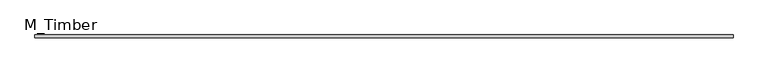
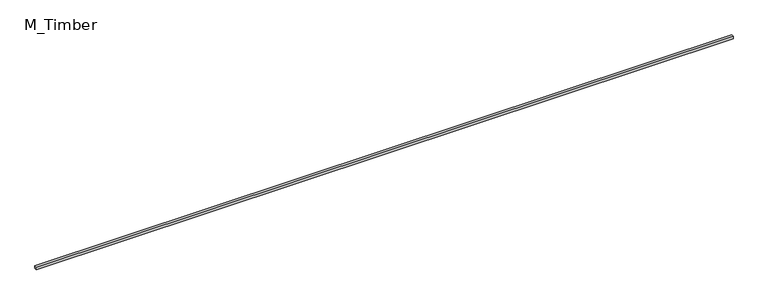
"""IFC4 building model written with IfcOpenShell, lengths in millimetres: beam geometry, M_Timber."""

import ifcopenshell
import ifcopenshell.guid

model = None  # the IFC model being written
_history = None  # IfcOwnerHistory: only IFC2X3 demands one
_inside = {}  # id of a spatial element -> (the spatial element, [elements in it])
_under = {}  # id of a project, library or spatial element -> (it, [spatial elements below it])
_declared = {}  # id of a project -> (the project, [libraries it declares])
_typed = {}  # id of a type object -> (the type object, [elements of that type])
_made_of = {}  # id of a material, layer set ... -> (it, [elements and type objects made of it])


def new_model(schema):
    """Start an empty IFC model of exactly this schema.

    Asked for "IFC4X3", IfcOpenShell would pick the latest addendum, in which some entities
    have other attributes; the version numbers below select the first issue.
    IFC2X3 requires an IfcOwnerHistory on every rooted entity: one is made here for all.
    """
    global model, _history
    if schema == "IFC4X3":
        model = ifcopenshell.file(schema_version=(4, 3, 0, 0))
    else:
        model = ifcopenshell.file(schema=schema)
    _inside.clear()
    _under.clear()
    _declared.clear()
    _typed.clear()
    _made_of.clear()
    _history = None
    if model.schema == "IFC2X3":
        org = make("IfcOrganization", Name="unknown")
        user = make(
            "IfcPersonAndOrganization",
            ThePerson=make("IfcPerson", FamilyName="unknown"),
            TheOrganization=org,
        )
        app = make(
            "IfcApplication",
            ApplicationDeveloper=org,
            Version="unknown",
            ApplicationFullName="unknown",
            ApplicationIdentifier="unknown",
        )
        _history = make(
            "IfcOwnerHistory",
            OwningUser=user,
            OwningApplication=app,
            ChangeAction="ADDED",
            CreationDate=0,
        )
    return model


def make(cls, **values):
    """One entity of the class cls with the attributes given. An attribute that is None is left unset."""
    return model.create_entity(
        cls, **{name: value for name, value in values.items() if value is not None}
    )


def rooted(cls, **values):
    """An entity with a GlobalId (a new one), such as an element, a storey or a relation."""
    return make(cls, GlobalId=ifcopenshell.guid.new(), OwnerHistory=_history, **values)


def si_unit(unit_type, name, prefix=None):
    """IfcSIUnit, for example si_unit("LENGTHUNIT", "METRE", prefix="MILLI")."""
    return make("IfcSIUnit", UnitType=unit_type, Prefix=prefix, Name=name)


def assignment(units):
    """IfcUnitAssignment: the units of a project."""
    return None if units is None else make("IfcUnitAssignment", Units=units)


def point(xyz):
    """IfcCartesianPoint."""
    return None if xyz is None else make("IfcCartesianPoint", Coordinates=xyz)


def direction(xyz):
    """IfcDirection."""
    return None if xyz is None else make("IfcDirection", DirectionRatios=xyz)


def frame(location, z_axis=None, x_axis=None):
    """IfcAxis2Placement3D, a coordinate frame: its origin and axes. An axis left out is left unset."""
    return make(
        "IfcAxis2Placement3D",
        Location=point(location),
        Axis=direction(z_axis),
        RefDirection=direction(x_axis),
    )


def origin():
    """The frame at (0, 0, 0) with its axes left unset."""
    return frame((0.0, 0.0, 0.0))


def place(relative_to, where):
    """IfcLocalPlacement: puts the frame where relative to a parent placement (None: the world)."""
    return make(
        "IfcLocalPlacement", PlacementRelTo=relative_to, RelativePlacement=where
    )


def context(
    kind, dimensions, precision=None, world=None, true_north=None, identifier=None
):
    """IfcGeometricRepresentationContext, for example the 3D "Model" context."""
    return make(
        "IfcGeometricRepresentationContext",
        ContextIdentifier=identifier,
        ContextType=kind,
        CoordinateSpaceDimension=dimensions,
        Precision=precision,
        WorldCoordinateSystem=world,
        TrueNorth=true_north,
    )


def project(units=None, contexts=None):
    """IfcProject with its units and contexts."""
    return rooted(
        "IfcProject",
        Name="project",
        RepresentationContexts=contexts,
        UnitsInContext=assignment(units),
    )


def spatial(cls, under=None, at=None, **own):
    """A site, building, storey or space (cls), placed at a placement, below another one or the project."""
    s = rooted(cls, ObjectPlacement=at, **own)
    if under is not None:
        _under.setdefault(under.id(), (under, []))[1].append(s)
    return s


def polyline(points):
    """IfcPolyline through the points."""
    return make("IfcPolyline", Points=[point(p) for p in points])


def outline(outer, holes=None, kind="AREA"):
    """IfcArbitraryClosedProfileDef: a profile drawn as a closed curve; with holes, ...WithVoids."""
    if holes is None:
        return make("IfcArbitraryClosedProfileDef", ProfileType=kind, OuterCurve=outer)
    return make(
        "IfcArbitraryProfileDefWithVoids",
        ProfileType=kind,
        OuterCurve=outer,
        InnerCurves=holes,
    )


def extrude(swept, where, along, depth):
    """IfcExtrudedAreaSolid: the profile swept, set in the frame where, extruded along a direction by depth."""
    return make(
        "IfcExtrudedAreaSolid",
        SweptArea=swept,
        Position=where,
        ExtrudedDirection=direction(along),
        Depth=depth,
    )


def shape(context_of_items, identifier, shape_type, items):
    """IfcShapeRepresentation: the items that make up one representation, for example the "Body"."""
    return make(
        "IfcShapeRepresentation",
        ContextOfItems=context_of_items,
        RepresentationIdentifier=identifier,
        RepresentationType=shape_type,
        Items=items,
    )


def source(mapping_origin, context_of_items, identifier, shape_type, items):
    """IfcRepresentationMap: a shape defined once, which mapped items show again and again."""
    return make(
        "IfcRepresentationMap",
        MappingOrigin=mapping_origin,
        MappedRepresentation=shape(context_of_items, identifier, shape_type, items),
    )


def transform(
    local_origin,
    x_axis=None,
    y_axis=None,
    z_axis=None,
    scale=None,
    scale2=None,
    scale3=None,
    uniform=True,
):
    """IfcCartesianTransformationOperator3D, or its non-uniform kind. x_axis, y_axis, z_axis: its Axis1, 2, 3."""
    if uniform:
        return make(
            "IfcCartesianTransformationOperator3D",
            Axis1=direction(x_axis),
            Axis2=direction(y_axis),
            LocalOrigin=point(local_origin),
            Scale=scale,
            Axis3=direction(z_axis),
        )
    return make(
        "IfcCartesianTransformationOperator3DnonUniform",
        Axis1=direction(x_axis),
        Axis2=direction(y_axis),
        LocalOrigin=point(local_origin),
        Scale=scale,
        Axis3=direction(z_axis),
        Scale2=scale2,
        Scale3=scale3,
    )


def mapped(mapping_source, mapping_target):
    """IfcMappedItem: shows the shape of a source again, moved by a transform."""
    return make(
        "IfcMappedItem", MappingSource=mapping_source, MappingTarget=mapping_target
    )


def made_of(thing, what):
    """Note that an element or type object is made of a material, layer set ...; save() writes the relation."""
    if what is not None:
        _made_of.setdefault(what.id(), (what, []))[1].append(thing)
    return thing


def element(
    cls,
    number,
    at=None,
    inside=None,
    cuts=None,
    type_object=None,
    material=None,
    context=None,
    identifier="Body",
    shape_type=None,
    held_by="IfcProductDefinitionShape",
    body=None,
    shapes=None,
    **own,
):
    """One element of the class cls, such as IfcWall. Its Tag is "e" and its number.

    at: its placement. inside: the storey or other place that contains it. cuts: it is an
    opening in that element (IfcRelVoidsElement). A single representation is given by context,
    identifier, shape_type and body (its items); several are given by shapes. held_by: the class
    of the entity that holds the representations. save() writes the other relations.
    """
    e = rooted(cls, Tag="e%d" % number, ObjectPlacement=at, **own)
    if body is not None:
        shapes = [shape(context, identifier, shape_type, body)]
    if shapes is not None:
        e.Representation = make(held_by, Representations=shapes)
    if inside is not None:
        _inside.setdefault(inside.id(), (inside, []))[1].append(e)
    if cuts is not None:
        rooted(
            "IfcRelVoidsElement", RelatingBuildingElement=cuts, RelatedOpeningElement=e
        )
    if type_object is not None:
        _typed.setdefault(type_object.id(), (type_object, []))[1].append(e)
    return made_of(e, material)


def aggregate(whole, parts):
    """IfcRelAggregates: a whole, such as a stair, and the parts it consists of."""
    return rooted("IfcRelAggregates", RelatingObject=whole, RelatedObjects=parts)


def save(model, path):
    """Write the relations noted so far, then the file.

    IfcRelAggregates (storeys below a building ...), IfcRelContainedInSpatialStructure (elements
    in a storey), IfcRelDefinesByType, IfcRelAssociatesMaterial and IfcRelDeclares: one each for
    every whole, place, type object, material and project.
    """
    for whole, parts in _under.values():
        aggregate(whole, parts)
    for where, things in _inside.values():
        rooted(
            "IfcRelContainedInSpatialStructure",
            RelatedElements=things,
            RelatingStructure=where,
        )
    for kind, things in _typed.values():
        rooted("IfcRelDefinesByType", RelatedObjects=things, RelatingType=kind)
    for what, things in _made_of.values():
        rooted("IfcRelAssociatesMaterial", RelatedObjects=things, RelatingMaterial=what)
    for by, libraries in _declared.values():
        rooted("IfcRelDeclares", RelatingContext=by, RelatedDefinitions=libraries)
    model.write(path)


def m_timber_2114d4df(model_context):
    return source(origin(), model_context, "Body", "SweptSolid", [
        extrude(outline(polyline([(5200.014793, 20.0), (5200.014793, -20.0), (-5200.014793, -20.0), (-5200.014793, 20.0), (5200.014793, 20.0)])), frame((0.0, 0.0, -20.0), z_axis=(0.0, 0.0, 1.0), x_axis=(1.0, 0.0, 0.0)), (0.0, 0.0, 1.0), 40.0),
    ])


if __name__ == "__main__":
    model = new_model("IFC4")
    model_context = context("Model", 3, world=origin())
    ifc_project = project(units=[si_unit("LENGTHUNIT", "METRE", prefix="MILLI")], contexts=[model_context])
    site = spatial("IfcSite", under=ifc_project)
    building = spatial("IfcBuilding", under=site)
    placement = place(None, origin())
    m_timber_shape = m_timber_2114d4df(model_context)
    element("IfcBeam", 1, ObjectType="M_Timber", at=placement, inside=building, context=model_context, shape_type="MappedRepresentation", body=[
        mapped(m_timber_shape, transform((0.0, 0.0, 0.0), x_axis=(1.0, 0.0, 0.0), y_axis=(0.0, 1.0, 0.0), z_axis=(0.0, 0.0, 1.0))),
    ])
    save(model, "model.ifc")
